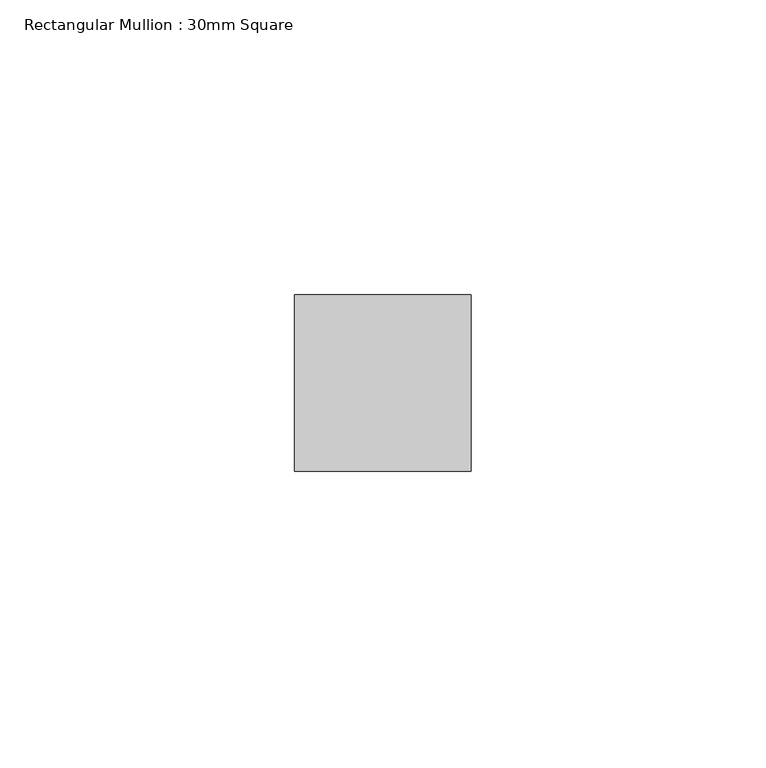
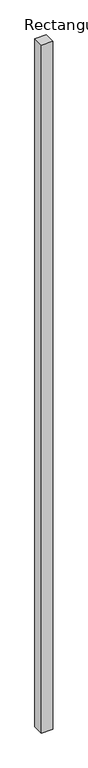
"""IFC4 building model written with IfcOpenShell, lengths in millimetres: member geometry, Rectangular Mullion : 30mm Square."""

from ifc_helpers import new_model, si_unit, frame, origin, place, context, project, spatial, polyline, outline, extrude, source, transform, mapped, element, save


def rectangular_mullion_30mm_square_75edc9d8(model_context):
    return source(origin(), model_context, "Body", "SweptSolid", [
        extrude(outline(polyline([(0.0, 15.0), (0.0, -15.0), (-30.0, -15.0), (-30.0, 15.0), (0.0, 15.0)])), frame((0.0, 0.0, -1919.7532875), z_axis=(0.0, 0.0, 1.0), x_axis=(1.0, 0.0, 0.0)), (0.0, 0.0, 1.0), 1919.7532875),
    ])


if __name__ == "__main__":
    model = new_model("IFC4")
    model_context = context("Model", 3, world=origin())
    ifc_project = project(units=[si_unit("LENGTHUNIT", "METRE", prefix="MILLI")], contexts=[model_context])
    site = spatial("IfcSite", under=ifc_project)
    building = spatial("IfcBuilding", under=site)
    placement = place(None, origin())
    rectangular_mullion_30mm_square_shape = rectangular_mullion_30mm_square_75edc9d8(model_context)
    element("IfcMember", 1, ObjectType="Rectangular Mullion : 30mm Square", at=placement, inside=building, context=model_context, shape_type="MappedRepresentation", body=[
        mapped(rectangular_mullion_30mm_square_shape, transform((0.0, 0.0, 0.0), x_axis=(1.0, 0.0, 0.0), y_axis=(0.0, 1.0, 0.0), z_axis=(0.0, 0.0, 1.0))),
    ])
    save(model, "model.ifc")
